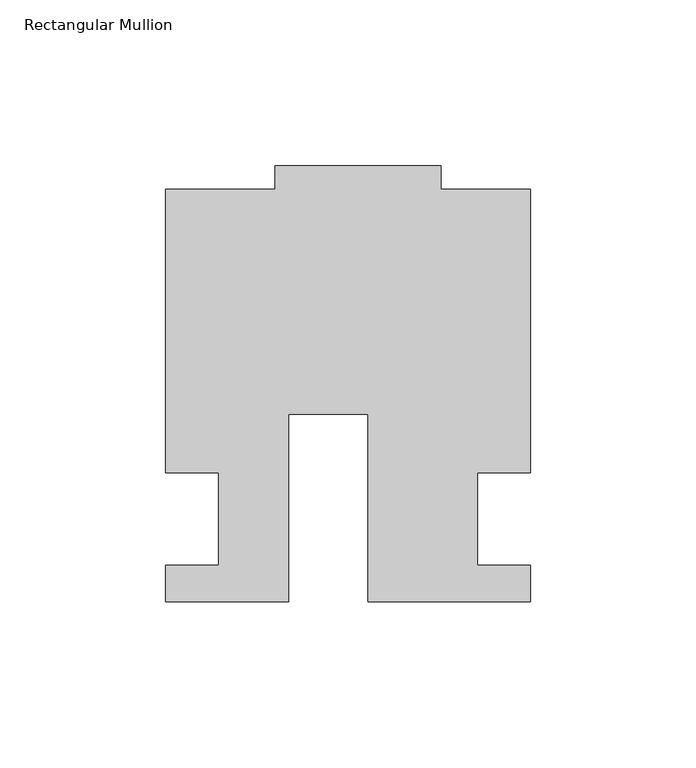
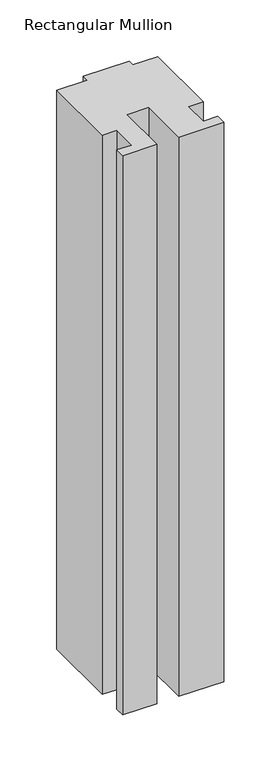
"""IFC4 building model written with IfcOpenShell, lengths in millimetres: member geometry, Rectangular Mullion."""

from ifc_helpers import new_model, si_unit, frame, origin, place, context, project, spatial, polyline, outline, extrude, source, transform, mapped, element, save


def rectangular_mullion_ba1db533(model_context):
    return source(origin(), model_context, "Body", "SweptSolid", [
        extrude(outline(polyline([(-24.0309529, -25.0), (-61.0409135, -25.0), (-61.0409135, -14.0), (-44.9971154, -14.0), (-44.9971154, 14.0), (-60.9971154, 14.0), (-60.9971154, 99.4999439), (-27.9971154, 99.4999439), (-27.9971154, 106.5), (22.0028846, 106.5), (22.0028846, 99.5), (49.0, 99.5), (49.0, 14.0), (32.9971154, 14.0), (32.9971154, -14.0), (49.0, -14.0), (49.0, -25.0), (0.0, -25.0), (0.0, 31.6008577), (-24.0309529, 31.6008577), (-24.0309529, -25.0)])), frame((0.0, 0.0, -643.9037852), z_axis=(0.0, 0.0, 1.0), x_axis=(1.0, 0.0, 0.0)), (0.0, 0.0, 1.0), 643.9037852),
    ])


if __name__ == "__main__":
    model = new_model("IFC4")
    model_context = context("Model", 3, world=origin())
    ifc_project = project(units=[si_unit("LENGTHUNIT", "METRE", prefix="MILLI")], contexts=[model_context])
    site = spatial("IfcSite", under=ifc_project)
    building = spatial("IfcBuilding", under=site)
    placement = place(None, origin())
    rectangular_mullion_shape = rectangular_mullion_ba1db533(model_context)
    element("IfcMember", 1, ObjectType="Rectangular Mullion", at=placement, inside=building, context=model_context, shape_type="MappedRepresentation", body=[
        mapped(rectangular_mullion_shape, transform((0.0, 0.0, 0.0), x_axis=(1.0, 0.0, 0.0), y_axis=(0.0, 1.0, 0.0), z_axis=(0.0, 0.0, 1.0))),
    ])
    save(model, "model.ifc")
